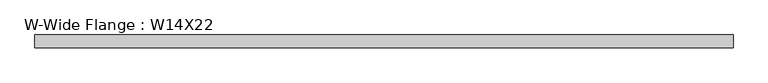
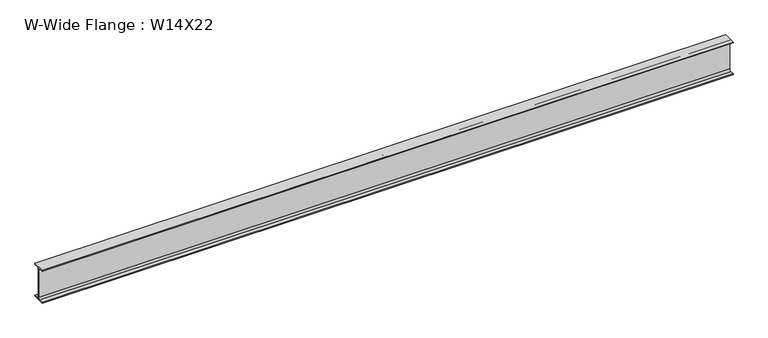
"""IFC4 building model written with IfcOpenShell, lengths in millimetres: beam geometry, W-Wide Flange : W14X22."""

from ifc_helpers import new_model, si_unit, point, frame, frame_2d, origin, place, context, project, spatial, polyline, circle_curve, trimmed, segment, composite_curve, outline, extrude, source, transform, mapped, element, save


def w_wide_flange_w14x22_858fd6f2(model_context):
    return source(origin(), model_context, "Body", "SweptSolid", [
        extrude(outline(composite_curve([segment(polyline([(63.5, -165.4472656), (63.5, -173.9800781), (-63.5, -173.9800781), (-63.5, -165.4472656), (-21.3816406, -165.4472656)]), True, "CONTINUOUS"), segment(trimmed(circle_curve(frame_2d((-21.3816406, -146.9925781)), 18.4546875), [point((-21.3816406, -165.4472656))], [point((-2.9269531, -146.9925781))], True, "CARTESIAN"), True, "CONTINUOUS"), segment(polyline([(-2.9269531, -146.9925781), (-2.9269531, 146.9925781)]), True, "CONTINUOUS"), segment(trimmed(circle_curve(frame_2d((-21.3816406, 146.9925781)), 18.4546875), [point((-2.9269531, 146.9925781))], [point((-21.3816406, 165.4472656))], True, "CARTESIAN"), True, "CONTINUOUS"), segment(polyline([(-21.3816406, 165.4472656), (-63.5, 165.4472656), (-63.5, 173.9800781), (63.5, 173.9800781), (63.5, 165.4472656), (21.3816406, 165.4472656)]), True, "CONTINUOUS"), segment(trimmed(circle_curve(frame_2d((21.3816406, 146.9925781)), 18.4546875), [point((21.3816406, 165.4472656))], [point((2.9269531, 146.9925781))], True, "CARTESIAN"), True, "CONTINUOUS"), segment(polyline([(2.9269531, 146.9925781), (2.9269531, -146.9925781)]), True, "CONTINUOUS"), segment(trimmed(circle_curve(frame_2d((21.3816406, -146.9925781)), 18.4546875), [point((2.9269531, -146.9925781))], [point((21.3816406, -165.4472656))], True, "CARTESIAN"), True, "CONTINUOUS"), segment(polyline([(21.3816406, -165.4472656), (63.5, -165.4472656)]), True, "CONTINUOUS")], self_intersect=False)), frame((-3485.4058594, 0.0, 0.0), z_axis=(1.0, 0.0, 0.0), x_axis=(0.0, 1.0, 0.0)), (0.0, 0.0, 1.0), 6970.8117187),
    ])


if __name__ == "__main__":
    model = new_model("IFC4")
    model_context = context("Model", 3, world=origin())
    ifc_project = project(units=[si_unit("LENGTHUNIT", "METRE", prefix="MILLI")], contexts=[model_context])
    site = spatial("IfcSite", under=ifc_project)
    building = spatial("IfcBuilding", under=site)
    placement = place(None, origin())
    w_wide_flange_w14x22_shape = w_wide_flange_w14x22_858fd6f2(model_context)
    element("IfcBeam", 1, ObjectType="W-Wide Flange : W14X22", at=placement, inside=building, context=model_context, shape_type="MappedRepresentation", body=[
        mapped(w_wide_flange_w14x22_shape, transform((0.0, 0.0, 0.0), x_axis=(1.0, 0.0, 0.0), y_axis=(0.0, 1.0, 0.0), z_axis=(0.0, 0.0, 1.0))),
    ])
    save(model, "model.ifc")
